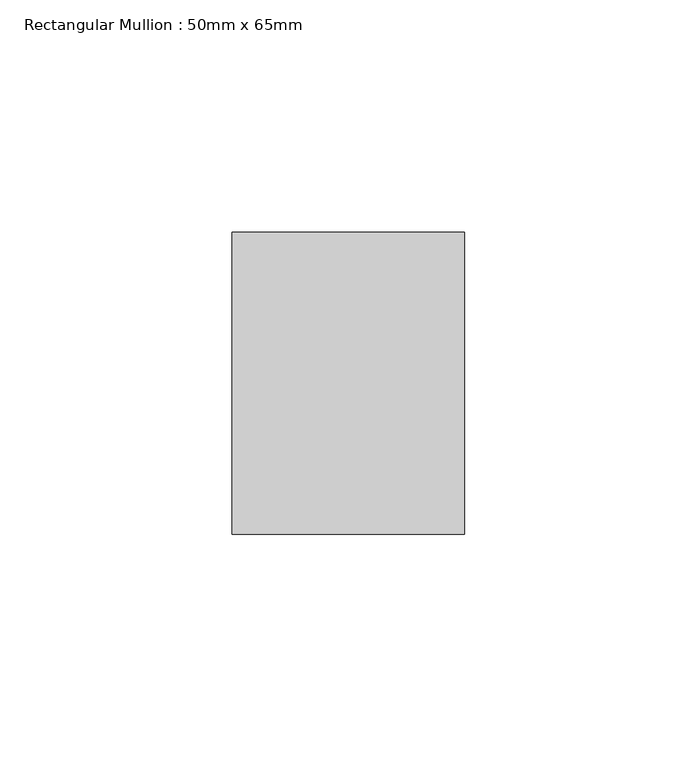
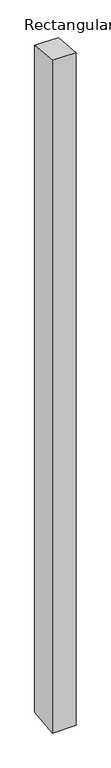
"""IFC4 building model written with IfcOpenShell, lengths in millimetres: member geometry, Rectangular Mullion : 50mm x 65mm."""

import ifcopenshell
import ifcopenshell.guid

model = None  # the IFC model being written
_history = None  # IfcOwnerHistory: only IFC2X3 demands one
_inside = {}  # id of a spatial element -> (the spatial element, [elements in it])
_under = {}  # id of a project, library or spatial element -> (it, [spatial elements below it])
_declared = {}  # id of a project -> (the project, [libraries it declares])
_typed = {}  # id of a type object -> (the type object, [elements of that type])
_made_of = {}  # id of a material, layer set ... -> (it, [elements and type objects made of it])


def new_model(schema):
    """Start an empty IFC model of exactly this schema.

    Asked for "IFC4X3", IfcOpenShell would pick the latest addendum, in which some entities
    have other attributes; the version numbers below select the first issue.
    IFC2X3 requires an IfcOwnerHistory on every rooted entity: one is made here for all.
    """
    global model, _history
    if schema == "IFC4X3":
        model = ifcopenshell.file(schema_version=(4, 3, 0, 0))
    else:
        model = ifcopenshell.file(schema=schema)
    _inside.clear()
    _under.clear()
    _declared.clear()
    _typed.clear()
    _made_of.clear()
    _history = None
    if model.schema == "IFC2X3":
        org = make("IfcOrganization", Name="unknown")
        user = make(
            "IfcPersonAndOrganization",
            ThePerson=make("IfcPerson", FamilyName="unknown"),
            TheOrganization=org,
        )
        app = make(
            "IfcApplication",
            ApplicationDeveloper=org,
            Version="unknown",
            ApplicationFullName="unknown",
            ApplicationIdentifier="unknown",
        )
        _history = make(
            "IfcOwnerHistory",
            OwningUser=user,
            OwningApplication=app,
            ChangeAction="ADDED",
            CreationDate=0,
        )
    return model


def make(cls, **values):
    """One entity of the class cls with the attributes given. An attribute that is None is left unset."""
    return model.create_entity(
        cls, **{name: value for name, value in values.items() if value is not None}
    )


def rooted(cls, **values):
    """An entity with a GlobalId (a new one), such as an element, a storey or a relation."""
    return make(cls, GlobalId=ifcopenshell.guid.new(), OwnerHistory=_history, **values)


def si_unit(unit_type, name, prefix=None):
    """IfcSIUnit, for example si_unit("LENGTHUNIT", "METRE", prefix="MILLI")."""
    return make("IfcSIUnit", UnitType=unit_type, Prefix=prefix, Name=name)


def assignment(units):
    """IfcUnitAssignment: the units of a project."""
    return None if units is None else make("IfcUnitAssignment", Units=units)


def point(xyz):
    """IfcCartesianPoint."""
    return None if xyz is None else make("IfcCartesianPoint", Coordinates=xyz)


def direction(xyz):
    """IfcDirection."""
    return None if xyz is None else make("IfcDirection", DirectionRatios=xyz)


def frame(location, z_axis=None, x_axis=None):
    """IfcAxis2Placement3D, a coordinate frame: its origin and axes. An axis left out is left unset."""
    return make(
        "IfcAxis2Placement3D",
        Location=point(location),
        Axis=direction(z_axis),
        RefDirection=direction(x_axis),
    )


def origin():
    """The frame at (0, 0, 0) with its axes left unset."""
    return frame((0.0, 0.0, 0.0))


def place(relative_to, where):
    """IfcLocalPlacement: puts the frame where relative to a parent placement (None: the world)."""
    return make(
        "IfcLocalPlacement", PlacementRelTo=relative_to, RelativePlacement=where
    )


def context(
    kind, dimensions, precision=None, world=None, true_north=None, identifier=None
):
    """IfcGeometricRepresentationContext, for example the 3D "Model" context."""
    return make(
        "IfcGeometricRepresentationContext",
        ContextIdentifier=identifier,
        ContextType=kind,
        CoordinateSpaceDimension=dimensions,
        Precision=precision,
        WorldCoordinateSystem=world,
        TrueNorth=true_north,
    )


def project(units=None, contexts=None):
    """IfcProject with its units and contexts."""
    return rooted(
        "IfcProject",
        Name="project",
        RepresentationContexts=contexts,
        UnitsInContext=assignment(units),
    )


def spatial(cls, under=None, at=None, **own):
    """A site, building, storey or space (cls), placed at a placement, below another one or the project."""
    s = rooted(cls, ObjectPlacement=at, **own)
    if under is not None:
        _under.setdefault(under.id(), (under, []))[1].append(s)
    return s


def faces_of(points, faces, orient=None, outer=None):
    """IfcFace entities. A face is a list of loops; a loop is a list of indices into points, from 0.

    orient and outer hold one flag for each loop. By default every Orientation is true, the
    first loop of a face is its IfcFaceOuterBound and the others are IfcFaceBound.
    """
    made = []
    for i, loops in enumerate(faces):
        bounds = []
        for j, loop in enumerate(loops):
            is_outer = j == 0 if outer is None else outer[i][j]
            bounds.append(
                make(
                    "IfcFaceOuterBound" if is_outer else "IfcFaceBound",
                    Bound=make("IfcPolyLoop", Polygon=[points[k] for k in loop]),
                    Orientation=True if orient is None else orient[i][j],
                )
            )
        made.append(make("IfcFace", Bounds=bounds))
    return made


def faceted_brep(points, faces, orient=None, outer=None, voids=None):
    """IfcFacetedBrep: a solid bounded by flat faces; with voids (closed shells), ...WithVoids."""
    shared = [point(p) for p in points]
    hull = make("IfcClosedShell", CfsFaces=faces_of(shared, faces, orient, outer))
    if voids is None:
        return make("IfcFacetedBrep", Outer=hull)
    return make(
        "IfcFacetedBrepWithVoids",
        Outer=hull,
        Voids=[
            make(cls, CfsFaces=faces_of(shared, fs, o, b)) for cls, fs, o, b in voids
        ],
    )


def shape(context_of_items, identifier, shape_type, items):
    """IfcShapeRepresentation: the items that make up one representation, for example the "Body"."""
    return make(
        "IfcShapeRepresentation",
        ContextOfItems=context_of_items,
        RepresentationIdentifier=identifier,
        RepresentationType=shape_type,
        Items=items,
    )


def source(mapping_origin, context_of_items, identifier, shape_type, items):
    """IfcRepresentationMap: a shape defined once, which mapped items show again and again."""
    return make(
        "IfcRepresentationMap",
        MappingOrigin=mapping_origin,
        MappedRepresentation=shape(context_of_items, identifier, shape_type, items),
    )


def transform(
    local_origin,
    x_axis=None,
    y_axis=None,
    z_axis=None,
    scale=None,
    scale2=None,
    scale3=None,
    uniform=True,
):
    """IfcCartesianTransformationOperator3D, or its non-uniform kind. x_axis, y_axis, z_axis: its Axis1, 2, 3."""
    if uniform:
        return make(
            "IfcCartesianTransformationOperator3D",
            Axis1=direction(x_axis),
            Axis2=direction(y_axis),
            LocalOrigin=point(local_origin),
            Scale=scale,
            Axis3=direction(z_axis),
        )
    return make(
        "IfcCartesianTransformationOperator3DnonUniform",
        Axis1=direction(x_axis),
        Axis2=direction(y_axis),
        LocalOrigin=point(local_origin),
        Scale=scale,
        Axis3=direction(z_axis),
        Scale2=scale2,
        Scale3=scale3,
    )


def mapped(mapping_source, mapping_target):
    """IfcMappedItem: shows the shape of a source again, moved by a transform."""
    return make(
        "IfcMappedItem", MappingSource=mapping_source, MappingTarget=mapping_target
    )


def made_of(thing, what):
    """Note that an element or type object is made of a material, layer set ...; save() writes the relation."""
    if what is not None:
        _made_of.setdefault(what.id(), (what, []))[1].append(thing)
    return thing


def element(
    cls,
    number,
    at=None,
    inside=None,
    cuts=None,
    type_object=None,
    material=None,
    context=None,
    identifier="Body",
    shape_type=None,
    held_by="IfcProductDefinitionShape",
    body=None,
    shapes=None,
    **own,
):
    """One element of the class cls, such as IfcWall. Its Tag is "e" and its number.

    at: its placement. inside: the storey or other place that contains it. cuts: it is an
    opening in that element (IfcRelVoidsElement). A single representation is given by context,
    identifier, shape_type and body (its items); several are given by shapes. held_by: the class
    of the entity that holds the representations. save() writes the other relations.
    """
    e = rooted(cls, Tag="e%d" % number, ObjectPlacement=at, **own)
    if body is not None:
        shapes = [shape(context, identifier, shape_type, body)]
    if shapes is not None:
        e.Representation = make(held_by, Representations=shapes)
    if inside is not None:
        _inside.setdefault(inside.id(), (inside, []))[1].append(e)
    if cuts is not None:
        rooted(
            "IfcRelVoidsElement", RelatingBuildingElement=cuts, RelatedOpeningElement=e
        )
    if type_object is not None:
        _typed.setdefault(type_object.id(), (type_object, []))[1].append(e)
    return made_of(e, material)


def aggregate(whole, parts):
    """IfcRelAggregates: a whole, such as a stair, and the parts it consists of."""
    return rooted("IfcRelAggregates", RelatingObject=whole, RelatedObjects=parts)


def save(model, path):
    """Write the relations noted so far, then the file.

    IfcRelAggregates (storeys below a building ...), IfcRelContainedInSpatialStructure (elements
    in a storey), IfcRelDefinesByType, IfcRelAssociatesMaterial and IfcRelDeclares: one each for
    every whole, place, type object, material and project.
    """
    for whole, parts in _under.values():
        aggregate(whole, parts)
    for where, things in _inside.values():
        rooted(
            "IfcRelContainedInSpatialStructure",
            RelatedElements=things,
            RelatingStructure=where,
        )
    for kind, things in _typed.values():
        rooted("IfcRelDefinesByType", RelatedObjects=things, RelatingType=kind)
    for what, things in _made_of.values():
        rooted("IfcRelAssociatesMaterial", RelatedObjects=things, RelatingMaterial=what)
    for by, libraries in _declared.values():
        rooted("IfcRelDeclares", RelatingContext=by, RelatedDefinitions=libraries)
    model.write(path)


def rectangular_mullion_50mm_x_65mm_51433a81(model_context):
    return source(origin(), model_context, "Body", "Brep", [
        faceted_brep([(-25.0, 32.5, -2.9911546), (25.0, 32.5, -2.9911589), (25.0, 32.5, -1496.6284076), (-25.0, 32.5, -1496.6284125), (-25.0, -32.5, 2.9911589), (-25.0, -32.5, -1503.3717788), (25.0, -32.5, 2.9911546), (25.0, -32.5, -1503.3717739)], [[[0, 1, 2, 3]], [[4, 0, 3, 5]], [[6, 4, 5, 7]], [[1, 6, 7, 2]], [[1, 0, 4, 6]], [[2, 7, 5, 3]]]),
    ])


if __name__ == "__main__":
    model = new_model("IFC4")
    model_context = context("Model", 3, world=origin())
    ifc_project = project(units=[si_unit("LENGTHUNIT", "METRE", prefix="MILLI")], contexts=[model_context])
    site = spatial("IfcSite", under=ifc_project)
    building = spatial("IfcBuilding", under=site)
    placement = place(None, origin())
    rectangular_mullion_50mm_x_65mm_shape = rectangular_mullion_50mm_x_65mm_51433a81(model_context)
    element("IfcMember", 1, ObjectType="Rectangular Mullion : 50mm x 65mm", at=placement, inside=building, context=model_context, shape_type="MappedRepresentation", body=[
        mapped(rectangular_mullion_50mm_x_65mm_shape, transform((0.0, 0.0, 0.0), x_axis=(1.0, 0.0, 0.0), y_axis=(0.0, 1.0, 0.0), z_axis=(0.0, 0.0, 1.0))),
    ])
    save(model, "model.ifc")
